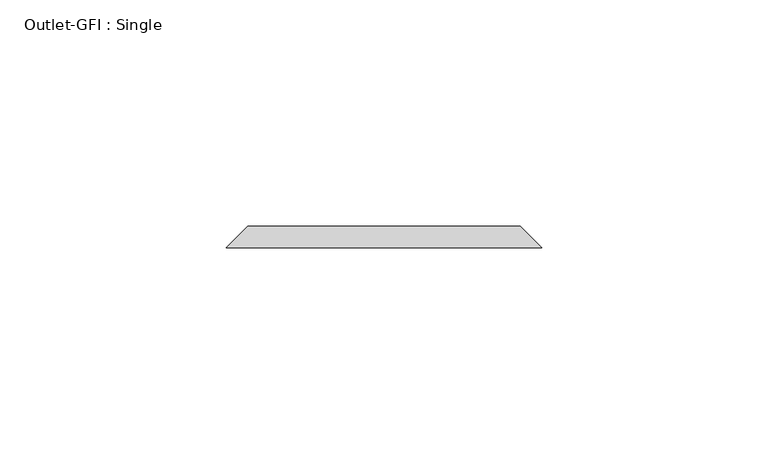
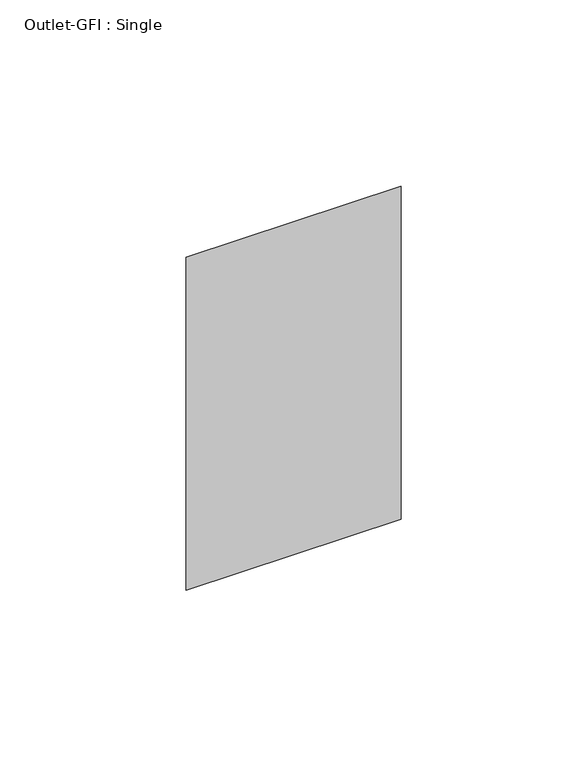
"""IFC4 building model written with IfcOpenShell, lengths in millimetres: proxy geometry, Outlet-GFI : Single."""

from ifc_helpers import new_model, si_unit, origin, place, context, project, spatial, faceted_brep, source, transform, mapped, element, save


def outlet_gfi_single_4bba236e(model_context):
    return source(origin(), model_context, "Body", "Brep", [
        faceted_brep([(-30.1625, 109.5375, 1271.5875), (30.1625, 109.5375, 1271.5875), (30.1625, 109.5375, 1166.8125), (-30.1625, 109.5375, 1166.8125), (-34.925, 104.775, 1276.35), (-34.925, 104.775, 1162.05), (34.925, 104.775, 1162.05), (34.925, 104.775, 1276.35)], [[[0, 1, 2, 3]], [[4, 5, 6, 7]], [[4, 7, 1, 0]], [[7, 6, 2, 1]], [[6, 5, 3, 2]], [[5, 4, 0, 3]]]),
    ])


if __name__ == "__main__":
    model = new_model("IFC4")
    model_context = context("Model", 3, world=origin())
    ifc_project = project(units=[si_unit("LENGTHUNIT", "METRE", prefix="MILLI")], contexts=[model_context])
    site = spatial("IfcSite", under=ifc_project)
    building = spatial("IfcBuilding", under=site)
    placement = place(None, origin())
    outlet_gfi_single_shape = outlet_gfi_single_4bba236e(model_context)
    element("IfcBuildingElementProxy", 1, Name="Outlet-GFI : Single", ObjectType="Outlet-GFI : Single", at=placement, inside=building, context=model_context, shape_type="MappedRepresentation", body=[
        mapped(outlet_gfi_single_shape, transform((0.0, 0.0, 0.0), x_axis=(1.0, 0.0, 0.0), y_axis=(0.0, 1.0, 0.0), z_axis=(0.0, 0.0, 1.0))),
    ])
    save(model, "model.ifc")
